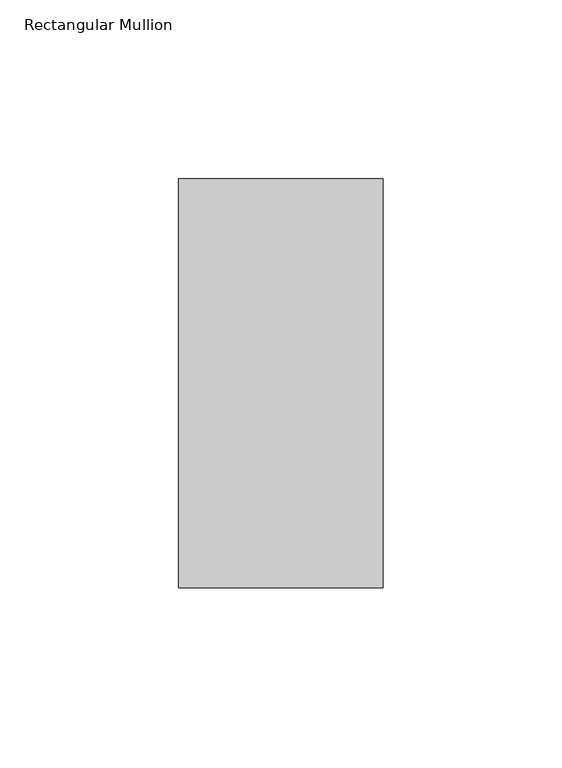
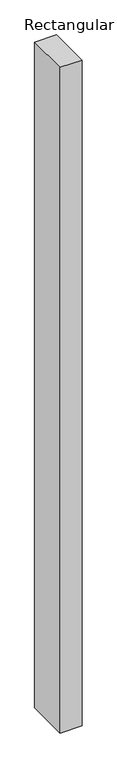
"""IFC4 building model written with IfcOpenShell, lengths in millimetres: member geometry, Rectangular Mullion."""

from ifc_helpers import new_model, si_unit, frame, origin, place, context, project, spatial, polyline, outline, extrude, source, transform, mapped, element, save


def rectangular_mullion_6c2af602(model_context):
    return source(origin(), model_context, "Body", "SweptSolid", [
        extrude(outline(polyline([(-57.15, -57.15), (-57.15, 57.15), (0.0, 57.15), (0.0, -57.15), (-57.15, -57.15)])), frame((0.0, 0.0, -1828.8), z_axis=(0.0, 0.0, 1.0), x_axis=(1.0, 0.0, 0.0)), (0.0, 0.0, 1.0), 1828.8),
    ])


if __name__ == "__main__":
    model = new_model("IFC4")
    model_context = context("Model", 3, world=origin())
    ifc_project = project(units=[si_unit("LENGTHUNIT", "METRE", prefix="MILLI")], contexts=[model_context])
    site = spatial("IfcSite", under=ifc_project)
    building = spatial("IfcBuilding", under=site)
    placement = place(None, origin())
    rectangular_mullion_shape = rectangular_mullion_6c2af602(model_context)
    element("IfcMember", 1, ObjectType="Rectangular Mullion", at=placement, inside=building, context=model_context, shape_type="MappedRepresentation", body=[
        mapped(rectangular_mullion_shape, transform((0.0, 0.0, 0.0), x_axis=(1.0, 0.0, 0.0), y_axis=(0.0, 1.0, 0.0), z_axis=(0.0, 0.0, 1.0))),
    ])
    save(model, "model.ifc")
